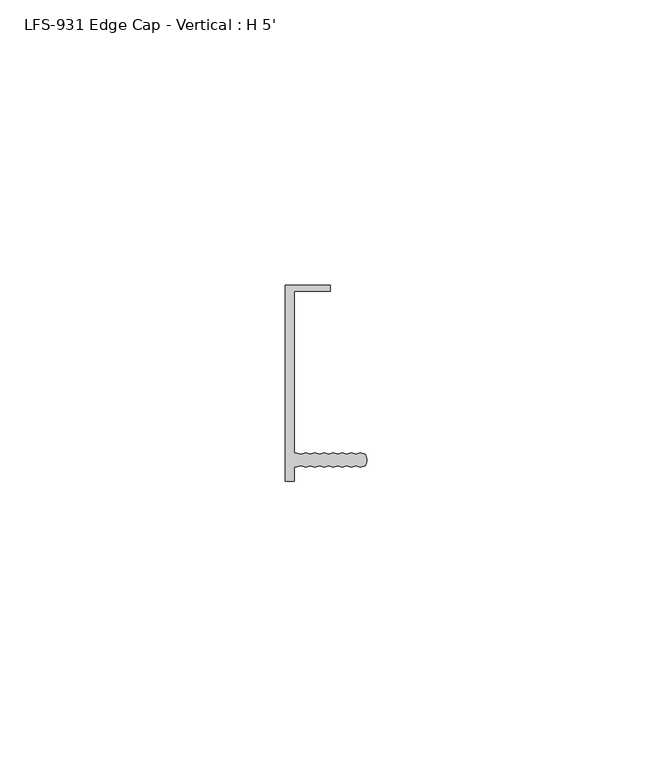
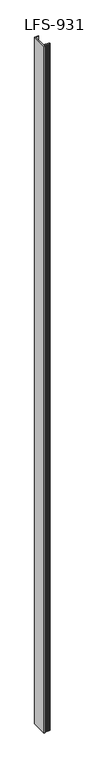
"""IFC4 building model written with IfcOpenShell, lengths in millimetres: proxy geometry, LFS-931 Edge Cap - Vertical : H 5'."""

from ifc_helpers import new_model, si_unit, point, frame_2d, origin, origin_with_axes, place, context, project, spatial, polyline, circle_curve, trimmed, segment, composite_curve, outline, extrude, source, transform, mapped, element, save


def lfs_931_edge_cap_vertical_h_5_497370ff(model_context):
    return source(origin(), model_context, "Body", "SweptSolid", [
        extrude(outline(composite_curve([segment(polyline([(6.9755505, -14.5053844), (6.1594734, -14.7594051), (5.3777354, -14.5054249), (4.5616583, -14.7594456), (3.7799202, -14.5054654), (2.9638431, -14.7594861), (2.1821051, -14.5055059), (1.366028, -14.7595266), (0.5842899, -14.5055464), (-0.2317872, -14.759567), (-1.0135252, -14.5055869), (-1.8296023, -14.7596075), (-2.6113404, -14.5056273), (-3.4274175, -14.759648), (-4.2091555, -14.5056678), (-5.470443, -14.7596998), (-5.470381, -17.2096037), (-7.057881, -17.2096439), (-7.0587531, 17.2124361), (0.8787469, 17.2126372), (0.8787744, 16.1280572), (-5.4712256, 16.1278963), (-5.4705074, -12.2196998), (-4.209207, -12.4736678), (-3.4274818, -12.219648), (-2.6113918, -12.4736273), (-1.8296667, -12.2196075), (-1.0135767, -12.4735869), (-0.2318515, -12.219567), (0.5842384, -12.4735464), (1.3659636, -12.2195266), (2.1820536, -12.4735059), (2.9637788, -12.2194861), (3.7798687, -12.4734654), (4.5615939, -12.2194456), (5.3776839, -12.4734249), (6.1594091, -12.2194051), (6.975499, -12.4733844)]), True, "CONTINUOUS"), segment(trimmed(circle_curve(frame_2d((5.0970263, -13.489432)), 2.1356527), [point((6.975499, -12.4733844))], [point((6.9755505, -14.5053844))], False, "CARTESIAN"), True, "CONTINUOUS")], self_intersect=False)), origin_with_axes(), (0.0, 0.0, 1.0), 1524.0),
    ])


if __name__ == "__main__":
    model = new_model("IFC4")
    model_context = context("Model", 3, world=origin())
    ifc_project = project(units=[si_unit("LENGTHUNIT", "METRE", prefix="MILLI")], contexts=[model_context])
    site = spatial("IfcSite", under=ifc_project)
    building = spatial("IfcBuilding", under=site)
    placement = place(None, origin())
    lfs_931_edge_cap_vertical_h_5_shape = lfs_931_edge_cap_vertical_h_5_497370ff(model_context)
    element("IfcBuildingElementProxy", 1, Name="LFS-931 Edge Cap - Vertical : H 5'", ObjectType="LFS-931 Edge Cap - Vertical : H 5'", at=placement, inside=building, context=model_context, shape_type="MappedRepresentation", body=[
        mapped(lfs_931_edge_cap_vertical_h_5_shape, transform((0.0, 0.0, 0.0), x_axis=(1.0, 0.0, 0.0), y_axis=(0.0, 1.0, 0.0), z_axis=(0.0, 0.0, 1.0))),
    ])
    save(model, "model.ifc")
